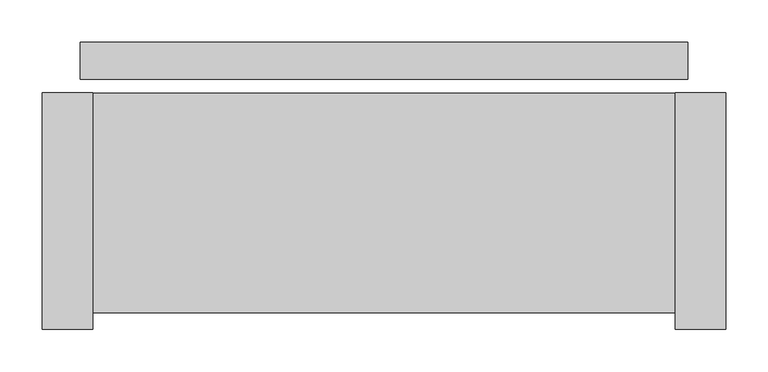
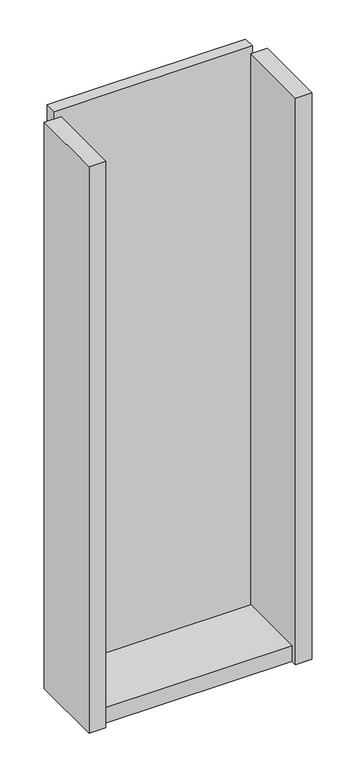
"""IFC4 building model written with IfcOpenShell, lengths in millimetres: plate geometry."""

from ifc_helpers import new_model, si_unit, frame, origin, origin_with_axes, place, context, project, spatial, polyline, outline, extrude, source, transform, mapped, element, save


def plate_ff825b48(model_context):
    return source(origin(), model_context, "Body", "SweptSolid", [
        extrude(outline(polyline([(360.0, 0.0), (360.0, -44.0), (-360.0, -44.0), (-360.0, 0.0), (360.0, 0.0)])), origin_with_axes(), (0.0, 0.0, 1.0), 2142.0),
        extrude(outline(polyline([(-345.0, -60.0), (-345.0, -340.0), (-405.0, -340.0), (-405.0, -60.0), (-345.0, -60.0)])), frame((0.0, 0.0, -45.0), z_axis=(0.0, 0.0, 1.0), x_axis=(1.0, 0.0, 0.0)), (0.0, 0.0, 1.0), 2172.0),
        extrude(outline(polyline([(345.0, -320.0), (-345.0, -320.0), (-345.0, -60.0), (345.0, -60.0), (345.0, -320.0)])), frame((0.0, 0.0, -45.0), z_axis=(0.0, 0.0, 1.0), x_axis=(1.0, 0.0, 0.0)), (0.0, 0.0, 1.0), 60.0),
        extrude(outline(polyline([(405.0, -60.0), (405.0, -340.0), (345.0, -340.0), (345.0, -60.0), (405.0, -60.0)])), frame((0.0, 0.0, -45.0), z_axis=(0.0, 0.0, 1.0), x_axis=(1.0, 0.0, 0.0)), (0.0, 0.0, 1.0), 2172.0),
    ])


if __name__ == "__main__":
    model = new_model("IFC4")
    model_context = context("Model", 3, world=origin())
    ifc_project = project(units=[si_unit("LENGTHUNIT", "METRE", prefix="MILLI")], contexts=[model_context])
    site = spatial("IfcSite", under=ifc_project)
    building = spatial("IfcBuilding", under=site)
    placement = place(None, origin())
    plate_shape = plate_ff825b48(model_context)
    element("IfcPlate", 1, at=placement, inside=building, context=model_context, shape_type="MappedRepresentation", body=[
        mapped(plate_shape, transform((0.0, 0.0, 0.0), x_axis=(1.0, 0.0, 0.0), y_axis=(0.0, 1.0, 0.0), z_axis=(0.0, 0.0, 1.0))),
    ])
    save(model, "model.ifc")
